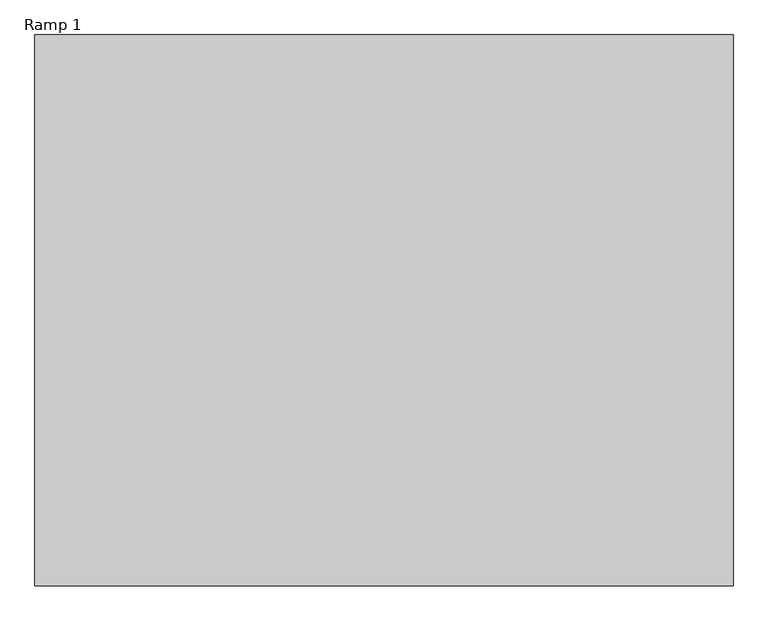
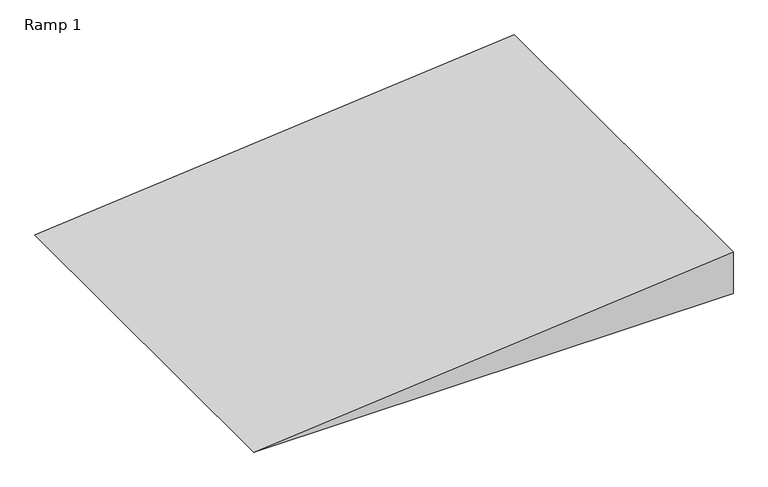
"""IFC4 building model written with IfcOpenShell, lengths in millimetres: ramp geometry, Ramp 1."""

from ifc_helpers import new_model, si_unit, frame, origin, place, context, project, spatial, polyline, outline, extrude, source, transform, mapped, element, save


def ramp_1_cafdd645(model_context):
    return source(origin(), model_context, "Body", "SweptSolid", [
        extrude(outline(polyline([(-150.0, -26031.2545871), (-650.0, -31481.2628271), (-650.0, -26031.2545871), (-150.0, -26031.2545871)])), frame((0.0, -36938.3534377, 0.0), z_axis=(0.0, 1.0, 0.0), x_axis=(0.0, 0.0, 1.0)), (0.0, 0.0, 1.0), 4303.0088591),
    ])


if __name__ == "__main__":
    model = new_model("IFC4")
    model_context = context("Model", 3, world=origin())
    ifc_project = project(units=[si_unit("LENGTHUNIT", "METRE", prefix="MILLI")], contexts=[model_context])
    site = spatial("IfcSite", under=ifc_project)
    building = spatial("IfcBuilding", under=site)
    placement = place(None, origin())
    ramp_1_shape = ramp_1_cafdd645(model_context)
    element("IfcRamp", 1, ObjectType="Ramp 1", at=placement, inside=building, context=model_context, shape_type="MappedRepresentation", body=[
        mapped(ramp_1_shape, transform((0.0, 0.0, 0.0), x_axis=(1.0, 0.0, 0.0), y_axis=(0.0, 1.0, 0.0), z_axis=(0.0, 0.0, 1.0))),
    ])
    save(model, "model.ifc")
